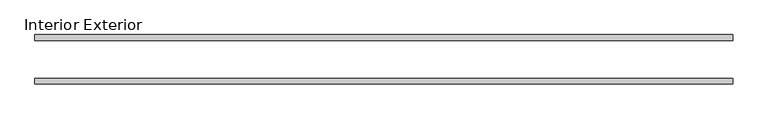
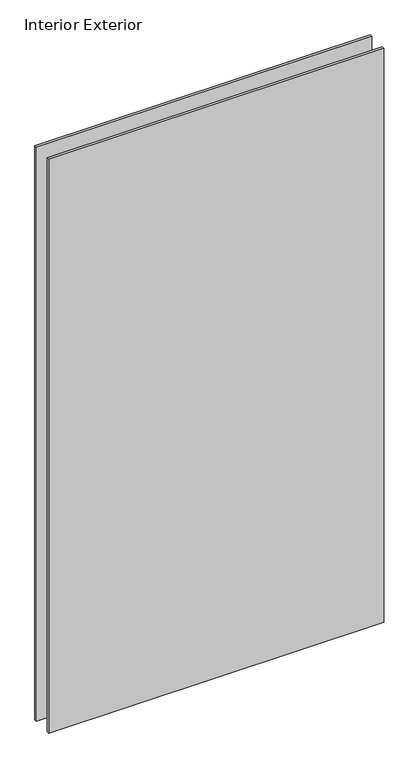
"""IFC4 building model written with IfcOpenShell, lengths in millimetres: plate geometry, Interior Exterior."""

from ifc_helpers import new_model, si_unit, frame, origin, place, context, project, spatial, polyline, outline, extrude, source, transform, mapped, element, save


def interior_exterior_ef47182b(model_context):
    return source(origin(), model_context, "Body", "SweptSolid", [
        extrude(outline(polyline([(576.2625, -41.275), (-592.1375, -41.275), (-592.1375, -31.75), (576.2625, -31.75), (576.2625, -41.275)])), frame((0.0, 0.0, -25.4), z_axis=(0.0, 0.0, 1.0), x_axis=(1.0, 0.0, 0.0)), (0.0, 0.0, 1.0), 2114.0000008),
        extrude(outline(polyline([(576.2625, 41.275), (576.2625, 31.75), (-592.1375, 31.75), (-592.1375, 41.275), (576.2625, 41.275)])), frame((0.0, 0.0, -25.4), z_axis=(0.0, 0.0, 1.0), x_axis=(1.0, 0.0, 0.0)), (0.0, 0.0, 1.0), 2114.0000008),
    ])


if __name__ == "__main__":
    model = new_model("IFC4")
    model_context = context("Model", 3, world=origin())
    ifc_project = project(units=[si_unit("LENGTHUNIT", "METRE", prefix="MILLI")], contexts=[model_context])
    site = spatial("IfcSite", under=ifc_project)
    building = spatial("IfcBuilding", under=site)
    placement = place(None, origin())
    interior_exterior_shape = interior_exterior_ef47182b(model_context)
    element("IfcPlate", 1, ObjectType="Interior Exterior", at=placement, inside=building, context=model_context, shape_type="MappedRepresentation", body=[
        mapped(interior_exterior_shape, transform((0.0, 0.0, 0.0), x_axis=(1.0, 0.0, 0.0), y_axis=(0.0, 1.0, 0.0), z_axis=(0.0, 0.0, 1.0))),
    ])
    save(model, "model.ifc")
